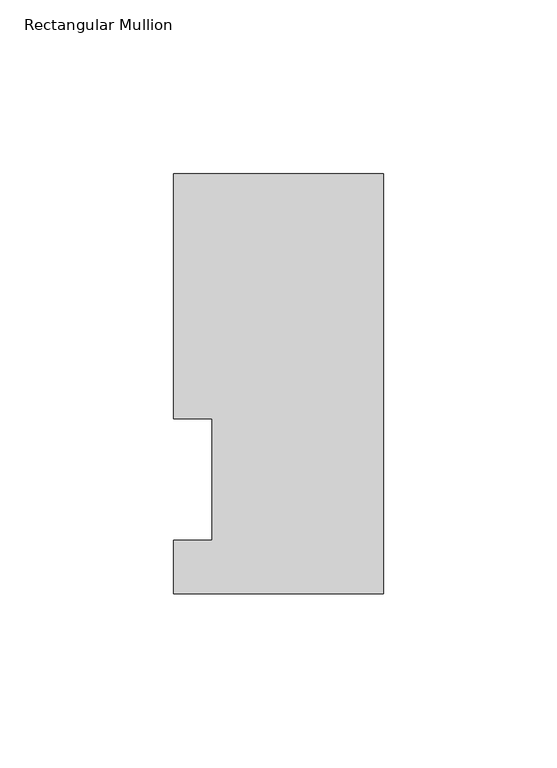
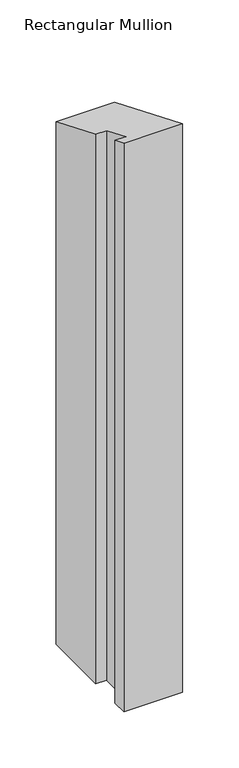
"""IFC4 building model written with IfcOpenShell, lengths in millimetres: member geometry, Rectangular Mullion."""

from ifc_helpers import new_model, si_unit, origin, place, context, project, spatial, faceted_brep, source, transform, mapped, element, save


def rectangular_mullion_cd98d17b(model_context):
    return source(origin(), model_context, "Body", "Brep", [
        faceted_brep([(0.0, -3.3164122, -616.102387), (-60.3251015, -3.3164122, -616.102387), (-60.3251015, 12.1267878, -616.102387), (-49.2253015, 12.1267878, -616.102387), (-49.2253015, 47.0517878, -616.102387), (-60.3251015, 47.0517878, -616.102387), (-60.3251015, 117.4859878, -616.102387), (0.0, 117.4859878, -616.102387), (0.0, 117.4859878, -48.6642895), (0.0, -3.3164122, 1.3737029), (-60.3251015, 117.4859878, -48.6642895), (-60.3251015, 47.0517878, -19.4894886), (-49.2253015, 47.0517878, -19.4894886), (-49.2253015, 12.1267878, -5.02308), (-60.3251015, 12.1267878, -5.02308), (-60.3251015, -3.3164122, 1.3737029)], [[[0, 1, 2, 3, 4, 5, 6, 7]], [[8, 9, 0, 7]], [[10, 8, 7, 6]], [[11, 10, 6, 5]], [[12, 11, 5, 4]], [[13, 12, 4, 3]], [[14, 13, 3, 2]], [[15, 14, 2, 1]], [[9, 15, 1, 0]], [[9, 8, 10, 11, 12, 13, 14, 15]]]),
    ])


if __name__ == "__main__":
    model = new_model("IFC4")
    model_context = context("Model", 3, world=origin())
    ifc_project = project(units=[si_unit("LENGTHUNIT", "METRE", prefix="MILLI")], contexts=[model_context])
    site = spatial("IfcSite", under=ifc_project)
    building = spatial("IfcBuilding", under=site)
    placement = place(None, origin())
    rectangular_mullion_shape = rectangular_mullion_cd98d17b(model_context)
    element("IfcMember", 1, ObjectType="Rectangular Mullion", at=placement, inside=building, context=model_context, shape_type="MappedRepresentation", body=[
        mapped(rectangular_mullion_shape, transform((0.0, 0.0, 0.0), x_axis=(1.0, 0.0, 0.0), y_axis=(0.0, 1.0, 0.0), z_axis=(0.0, 0.0, 1.0))),
    ])
    save(model, "model.ifc")
